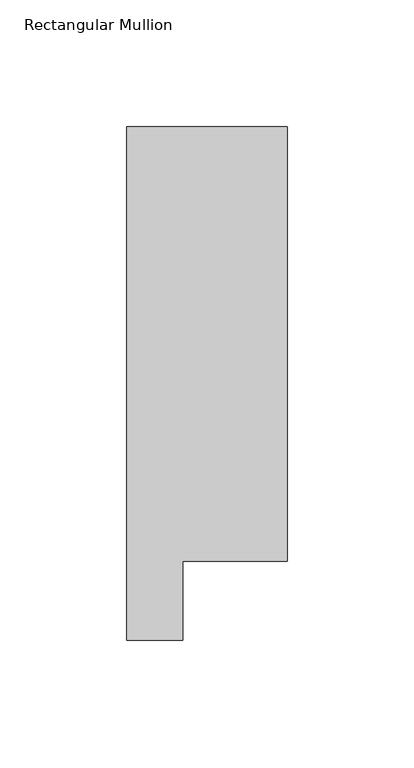
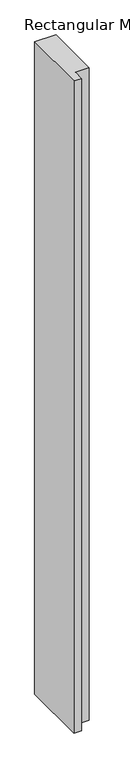
"""IFC4 building model written with IfcOpenShell, lengths in millimetres: member geometry, Rectangular Mullion."""

from ifc_helpers import new_model, si_unit, frame, origin, place, context, project, spatial, polyline, outline, extrude, source, transform, mapped, element, save


def rectangular_mullion_091fc477(model_context):
    return source(origin(), model_context, "Body", "SweptSolid", [
        extrude(outline(polyline([(-31.7499999, 222.5381313), (31.7499997, 222.5381313), (31.7499997, 50.820278), (-9.5376999, 50.820278), (-9.5376999, 19.5667312), (-31.7499999, 19.5667312), (-31.7499999, 222.5381313)])), frame((0.0, 0.0, -2057.3999999), z_axis=(0.0, 0.0, 1.0), x_axis=(1.0, 0.0, 0.0)), (0.0, 0.0, 1.0), 2057.3999999),
    ])


if __name__ == "__main__":
    model = new_model("IFC4")
    model_context = context("Model", 3, world=origin())
    ifc_project = project(units=[si_unit("LENGTHUNIT", "METRE", prefix="MILLI")], contexts=[model_context])
    site = spatial("IfcSite", under=ifc_project)
    building = spatial("IfcBuilding", under=site)
    placement = place(None, origin())
    rectangular_mullion_shape = rectangular_mullion_091fc477(model_context)
    element("IfcMember", 1, ObjectType="Rectangular Mullion", at=placement, inside=building, context=model_context, shape_type="MappedRepresentation", body=[
        mapped(rectangular_mullion_shape, transform((0.0, 0.0, 0.0), x_axis=(1.0, 0.0, 0.0), y_axis=(0.0, 1.0, 0.0), z_axis=(0.0, 0.0, 1.0))),
    ])
    save(model, "model.ifc")
